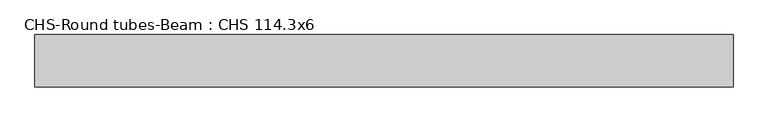
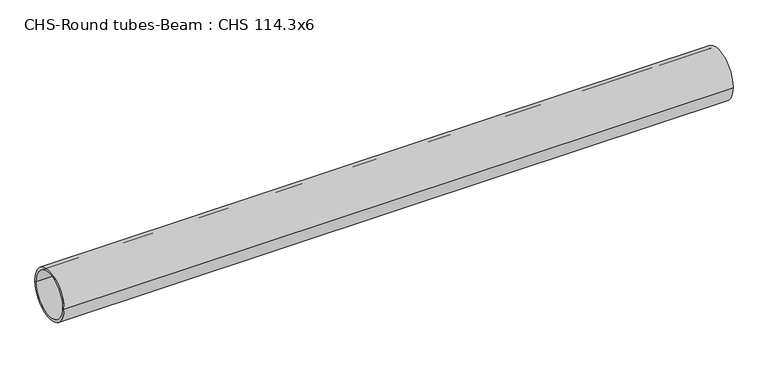
"""IFC4 building model written with IfcOpenShell, lengths in millimetres: beam geometry, CHS-Round tubes-Beam : CHS 114.3x6."""

from ifc_helpers import new_model, si_unit, point, frame, origin, origin_2d, place, context, project, spatial, circle_curve, trimmed, segment, composite_curve, outline, extrude, source, transform, mapped, element, save


def chs_round_tubes_beam_chs_114_3x6_efbe8201(model_context):
    return source(origin(), model_context, "Body", "SweptSolid", [
        extrude(outline(composite_curve([segment(trimmed(circle_curve(origin_2d(), 57.15), [point((57.15, 0.0))], [point((-57.15, 0.0))], False, "CARTESIAN"), True, "CONTINUOUS"), segment(trimmed(circle_curve(origin_2d(), 57.15), [point((-57.15, 0.0))], [point((57.15, 0.0))], False, "CARTESIAN"), True, "CONTINUOUS")], self_intersect=False), holes=[composite_curve([segment(trimmed(circle_curve(origin_2d(), 51.15), [point((51.15, 0.0))], [point((-51.15, 0.0))], True, "CARTESIAN"), True, "CONTINUOUS"), segment(trimmed(circle_curve(origin_2d(), 51.15), [point((-51.15, 0.0))], [point((51.15, 0.0))], True, "CARTESIAN"), True, "CONTINUOUS")], self_intersect=False)]), frame((-773.3605903, 0.0, 0.0), z_axis=(1.0, 0.0, 0.0), x_axis=(0.0, 1.0, 0.0)), (0.0, 0.0, 1.0), 1520.1459919),
    ])


if __name__ == "__main__":
    model = new_model("IFC4")
    model_context = context("Model", 3, world=origin())
    ifc_project = project(units=[si_unit("LENGTHUNIT", "METRE", prefix="MILLI")], contexts=[model_context])
    site = spatial("IfcSite", under=ifc_project)
    building = spatial("IfcBuilding", under=site)
    placement = place(None, origin())
    chs_round_tubes_beam_chs_114_3x6_shape = chs_round_tubes_beam_chs_114_3x6_efbe8201(model_context)
    element("IfcBeam", 1, ObjectType="CHS-Round tubes-Beam : CHS 114.3x6", at=placement, inside=building, context=model_context, shape_type="MappedRepresentation", body=[
        mapped(chs_round_tubes_beam_chs_114_3x6_shape, transform((0.0, 0.0, 0.0), x_axis=(1.0, 0.0, 0.0), y_axis=(0.0, 1.0, 0.0), z_axis=(0.0, 0.0, 1.0))),
    ])
    save(model, "model.ifc")
